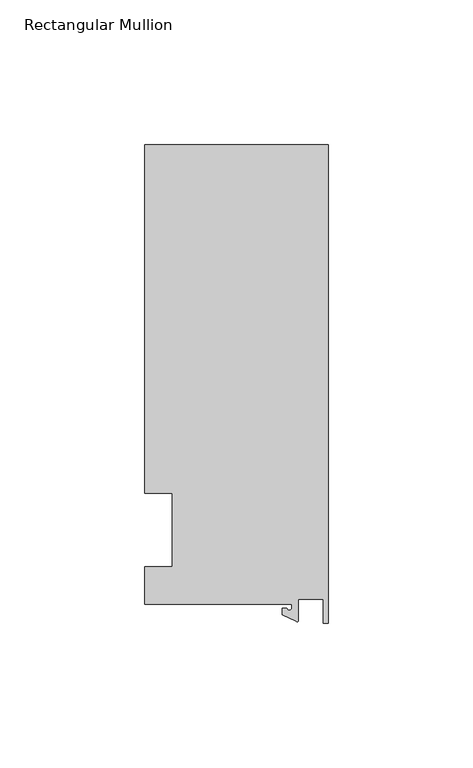
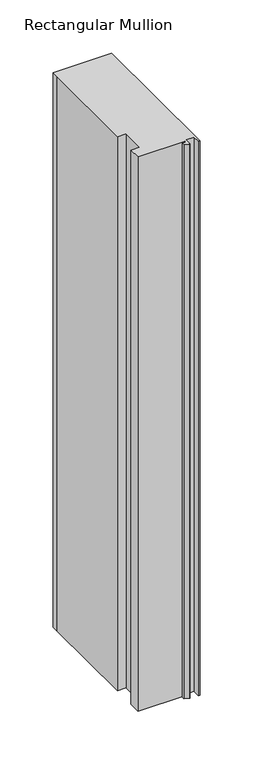
"""IFC4 building model written with IfcOpenShell, lengths in millimetres: member geometry, Rectangular Mullion."""

from ifc_helpers import new_model, si_unit, point, frame, frame_2d, origin, place, context, project, spatial, polyline, circle_curve, trimmed, segment, composite_curve, outline, extrude, source, transform, mapped, element, save


def rectangular_mullion_39c2c250(model_context):
    return source(origin(), model_context, "Body", "SweptSolid", [
        extrude(outline(composite_curve([segment(polyline([(-12.6173814, -25.796875), (-63.5, -25.796875), (-63.5, -12.7), (-53.975, -12.7), (-53.975, 12.7), (-63.5, 12.7), (-63.5, 125.8114907), (-63.5, 133.34365), (0.0, 133.34365), (0.0, -32.288874), (-1.5658966, -32.288874), (-1.7144124, -23.9227662), (-10.2297814, -23.9227662), (-10.2297814, -31.2414327)]), True, "CONTINUOUS"), segment(trimmed(circle_curve(frame_2d((-10.7377814, -31.2414327)), 0.508), [point((-10.2297814, -31.2414327))], [point((-10.9524715, -31.7018371))], False, "CARTESIAN"), True, "CONTINUOUS"), segment(polyline([(-10.9524715, -31.7018371), (-15.7923814, -29.44495), (-15.7923814, -27.0827507), (-14.2048814, -27.0827507)]), True, "CONTINUOUS"), segment(trimmed(circle_curve(frame_2d((-13.4111314, -27.0827507)), 0.79375), [point((-14.2048814, -27.0827507))], [point((-12.6173814, -27.0827507))], True, "CARTESIAN"), True, "CONTINUOUS"), segment(polyline([(-12.6173814, -27.0827507), (-12.6173814, -25.796875)]), True, "CONTINUOUS")], self_intersect=False)), frame((0.0, 0.0, -635.0), z_axis=(0.0, 0.0, 1.0), x_axis=(1.0, 0.0, 0.0)), (0.0, 0.0, 1.0), 635.0),
    ])


if __name__ == "__main__":
    model = new_model("IFC4")
    model_context = context("Model", 3, world=origin())
    ifc_project = project(units=[si_unit("LENGTHUNIT", "METRE", prefix="MILLI")], contexts=[model_context])
    site = spatial("IfcSite", under=ifc_project)
    building = spatial("IfcBuilding", under=site)
    placement = place(None, origin())
    rectangular_mullion_shape = rectangular_mullion_39c2c250(model_context)
    element("IfcMember", 1, ObjectType="Rectangular Mullion", at=placement, inside=building, context=model_context, shape_type="MappedRepresentation", body=[
        mapped(rectangular_mullion_shape, transform((0.0, 0.0, 0.0), x_axis=(1.0, 0.0, 0.0), y_axis=(0.0, 1.0, 0.0), z_axis=(0.0, 0.0, 1.0))),
    ])
    save(model, "model.ifc")
